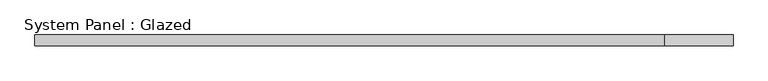
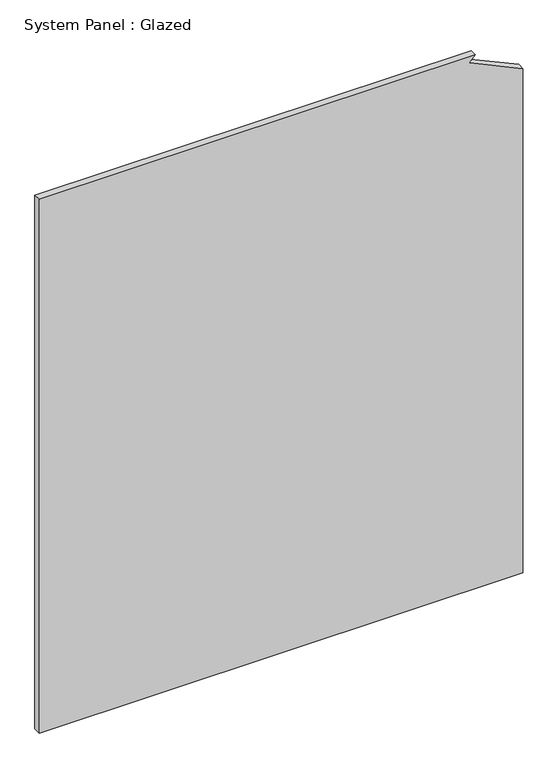
"""IFC4 building model written with IfcOpenShell, lengths in millimetres: plate geometry, System Panel : Glazed."""

import ifcopenshell
import ifcopenshell.guid

model = None  # the IFC model being written
_history = None  # IfcOwnerHistory: only IFC2X3 demands one
_inside = {}  # id of a spatial element -> (the spatial element, [elements in it])
_under = {}  # id of a project, library or spatial element -> (it, [spatial elements below it])
_declared = {}  # id of a project -> (the project, [libraries it declares])
_typed = {}  # id of a type object -> (the type object, [elements of that type])
_made_of = {}  # id of a material, layer set ... -> (it, [elements and type objects made of it])


def new_model(schema):
    """Start an empty IFC model of exactly this schema.

    Asked for "IFC4X3", IfcOpenShell would pick the latest addendum, in which some entities
    have other attributes; the version numbers below select the first issue.
    IFC2X3 requires an IfcOwnerHistory on every rooted entity: one is made here for all.
    """
    global model, _history
    if schema == "IFC4X3":
        model = ifcopenshell.file(schema_version=(4, 3, 0, 0))
    else:
        model = ifcopenshell.file(schema=schema)
    _inside.clear()
    _under.clear()
    _declared.clear()
    _typed.clear()
    _made_of.clear()
    _history = None
    if model.schema == "IFC2X3":
        org = make("IfcOrganization", Name="unknown")
        user = make(
            "IfcPersonAndOrganization",
            ThePerson=make("IfcPerson", FamilyName="unknown"),
            TheOrganization=org,
        )
        app = make(
            "IfcApplication",
            ApplicationDeveloper=org,
            Version="unknown",
            ApplicationFullName="unknown",
            ApplicationIdentifier="unknown",
        )
        _history = make(
            "IfcOwnerHistory",
            OwningUser=user,
            OwningApplication=app,
            ChangeAction="ADDED",
            CreationDate=0,
        )
    return model


def make(cls, **values):
    """One entity of the class cls with the attributes given. An attribute that is None is left unset."""
    return model.create_entity(
        cls, **{name: value for name, value in values.items() if value is not None}
    )


def rooted(cls, **values):
    """An entity with a GlobalId (a new one), such as an element, a storey or a relation."""
    return make(cls, GlobalId=ifcopenshell.guid.new(), OwnerHistory=_history, **values)


def si_unit(unit_type, name, prefix=None):
    """IfcSIUnit, for example si_unit("LENGTHUNIT", "METRE", prefix="MILLI")."""
    return make("IfcSIUnit", UnitType=unit_type, Prefix=prefix, Name=name)


def assignment(units):
    """IfcUnitAssignment: the units of a project."""
    return None if units is None else make("IfcUnitAssignment", Units=units)


def point(xyz):
    """IfcCartesianPoint."""
    return None if xyz is None else make("IfcCartesianPoint", Coordinates=xyz)


def direction(xyz):
    """IfcDirection."""
    return None if xyz is None else make("IfcDirection", DirectionRatios=xyz)


def frame(location, z_axis=None, x_axis=None):
    """IfcAxis2Placement3D, a coordinate frame: its origin and axes. An axis left out is left unset."""
    return make(
        "IfcAxis2Placement3D",
        Location=point(location),
        Axis=direction(z_axis),
        RefDirection=direction(x_axis),
    )


def origin():
    """The frame at (0, 0, 0) with its axes left unset."""
    return frame((0.0, 0.0, 0.0))


def place(relative_to, where):
    """IfcLocalPlacement: puts the frame where relative to a parent placement (None: the world)."""
    return make(
        "IfcLocalPlacement", PlacementRelTo=relative_to, RelativePlacement=where
    )


def context(
    kind, dimensions, precision=None, world=None, true_north=None, identifier=None
):
    """IfcGeometricRepresentationContext, for example the 3D "Model" context."""
    return make(
        "IfcGeometricRepresentationContext",
        ContextIdentifier=identifier,
        ContextType=kind,
        CoordinateSpaceDimension=dimensions,
        Precision=precision,
        WorldCoordinateSystem=world,
        TrueNorth=true_north,
    )


def project(units=None, contexts=None):
    """IfcProject with its units and contexts."""
    return rooted(
        "IfcProject",
        Name="project",
        RepresentationContexts=contexts,
        UnitsInContext=assignment(units),
    )


def spatial(cls, under=None, at=None, **own):
    """A site, building, storey or space (cls), placed at a placement, below another one or the project."""
    s = rooted(cls, ObjectPlacement=at, **own)
    if under is not None:
        _under.setdefault(under.id(), (under, []))[1].append(s)
    return s


def polyline(points):
    """IfcPolyline through the points."""
    return make("IfcPolyline", Points=[point(p) for p in points])


def outline(outer, holes=None, kind="AREA"):
    """IfcArbitraryClosedProfileDef: a profile drawn as a closed curve; with holes, ...WithVoids."""
    if holes is None:
        return make("IfcArbitraryClosedProfileDef", ProfileType=kind, OuterCurve=outer)
    return make(
        "IfcArbitraryProfileDefWithVoids",
        ProfileType=kind,
        OuterCurve=outer,
        InnerCurves=holes,
    )


def extrude(swept, where, along, depth):
    """IfcExtrudedAreaSolid: the profile swept, set in the frame where, extruded along a direction by depth."""
    return make(
        "IfcExtrudedAreaSolid",
        SweptArea=swept,
        Position=where,
        ExtrudedDirection=direction(along),
        Depth=depth,
    )


def shape(context_of_items, identifier, shape_type, items):
    """IfcShapeRepresentation: the items that make up one representation, for example the "Body"."""
    return make(
        "IfcShapeRepresentation",
        ContextOfItems=context_of_items,
        RepresentationIdentifier=identifier,
        RepresentationType=shape_type,
        Items=items,
    )


def source(mapping_origin, context_of_items, identifier, shape_type, items):
    """IfcRepresentationMap: a shape defined once, which mapped items show again and again."""
    return make(
        "IfcRepresentationMap",
        MappingOrigin=mapping_origin,
        MappedRepresentation=shape(context_of_items, identifier, shape_type, items),
    )


def transform(
    local_origin,
    x_axis=None,
    y_axis=None,
    z_axis=None,
    scale=None,
    scale2=None,
    scale3=None,
    uniform=True,
):
    """IfcCartesianTransformationOperator3D, or its non-uniform kind. x_axis, y_axis, z_axis: its Axis1, 2, 3."""
    if uniform:
        return make(
            "IfcCartesianTransformationOperator3D",
            Axis1=direction(x_axis),
            Axis2=direction(y_axis),
            LocalOrigin=point(local_origin),
            Scale=scale,
            Axis3=direction(z_axis),
        )
    return make(
        "IfcCartesianTransformationOperator3DnonUniform",
        Axis1=direction(x_axis),
        Axis2=direction(y_axis),
        LocalOrigin=point(local_origin),
        Scale=scale,
        Axis3=direction(z_axis),
        Scale2=scale2,
        Scale3=scale3,
    )


def mapped(mapping_source, mapping_target):
    """IfcMappedItem: shows the shape of a source again, moved by a transform."""
    return make(
        "IfcMappedItem", MappingSource=mapping_source, MappingTarget=mapping_target
    )


def made_of(thing, what):
    """Note that an element or type object is made of a material, layer set ...; save() writes the relation."""
    if what is not None:
        _made_of.setdefault(what.id(), (what, []))[1].append(thing)
    return thing


def element(
    cls,
    number,
    at=None,
    inside=None,
    cuts=None,
    type_object=None,
    material=None,
    context=None,
    identifier="Body",
    shape_type=None,
    held_by="IfcProductDefinitionShape",
    body=None,
    shapes=None,
    **own,
):
    """One element of the class cls, such as IfcWall. Its Tag is "e" and its number.

    at: its placement. inside: the storey or other place that contains it. cuts: it is an
    opening in that element (IfcRelVoidsElement). A single representation is given by context,
    identifier, shape_type and body (its items); several are given by shapes. held_by: the class
    of the entity that holds the representations. save() writes the other relations.
    """
    e = rooted(cls, Tag="e%d" % number, ObjectPlacement=at, **own)
    if body is not None:
        shapes = [shape(context, identifier, shape_type, body)]
    if shapes is not None:
        e.Representation = make(held_by, Representations=shapes)
    if inside is not None:
        _inside.setdefault(inside.id(), (inside, []))[1].append(e)
    if cuts is not None:
        rooted(
            "IfcRelVoidsElement", RelatingBuildingElement=cuts, RelatedOpeningElement=e
        )
    if type_object is not None:
        _typed.setdefault(type_object.id(), (type_object, []))[1].append(e)
    return made_of(e, material)


def aggregate(whole, parts):
    """IfcRelAggregates: a whole, such as a stair, and the parts it consists of."""
    return rooted("IfcRelAggregates", RelatingObject=whole, RelatedObjects=parts)


def save(model, path):
    """Write the relations noted so far, then the file.

    IfcRelAggregates (storeys below a building ...), IfcRelContainedInSpatialStructure (elements
    in a storey), IfcRelDefinesByType, IfcRelAssociatesMaterial and IfcRelDeclares: one each for
    every whole, place, type object, material and project.
    """
    for whole, parts in _under.values():
        aggregate(whole, parts)
    for where, things in _inside.values():
        rooted(
            "IfcRelContainedInSpatialStructure",
            RelatedElements=things,
            RelatingStructure=where,
        )
    for kind, things in _typed.values():
        rooted("IfcRelDefinesByType", RelatedObjects=things, RelatingType=kind)
    for what, things in _made_of.values():
        rooted("IfcRelAssociatesMaterial", RelatedObjects=things, RelatingMaterial=what)
    for by, libraries in _declared.values():
        rooted("IfcRelDeclares", RelatingContext=by, RelatedDefinitions=libraries)
    model.write(path)


def system_panel_glazed_d6c8424c(model_context):
    return source(origin(), model_context, "Body", "SweptSolid", [
        extrude(outline(polyline([(0.0, -808.6842105), (0.0, 808.6842105), (1782.7541729, 808.6842105), (1866.3095433, 628.5692735), (1886.6666667, 649.6104559), (1886.6666667, -808.6842105), (0.0, -808.6842105)])), frame((0.0, 52.5, 0.0), z_axis=(0.0, 1.0, 0.0), x_axis=(0.0, 0.0, 1.0)), (0.0, 0.0, 1.0), 25.0),
    ])


if __name__ == "__main__":
    model = new_model("IFC4")
    model_context = context("Model", 3, world=origin())
    ifc_project = project(units=[si_unit("LENGTHUNIT", "METRE", prefix="MILLI")], contexts=[model_context])
    site = spatial("IfcSite", under=ifc_project)
    building = spatial("IfcBuilding", under=site)
    placement = place(None, origin())
    system_panel_glazed_shape = system_panel_glazed_d6c8424c(model_context)
    element("IfcPlate", 1, ObjectType="System Panel : Glazed", at=placement, inside=building, context=model_context, shape_type="MappedRepresentation", body=[
        mapped(system_panel_glazed_shape, transform((0.0, 0.0, 0.0), x_axis=(1.0, 0.0, 0.0), y_axis=(0.0, 1.0, 0.0), z_axis=(0.0, 0.0, 1.0))),
    ])
    save(model, "model.ifc")
